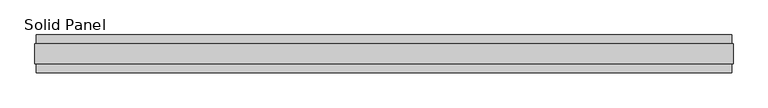
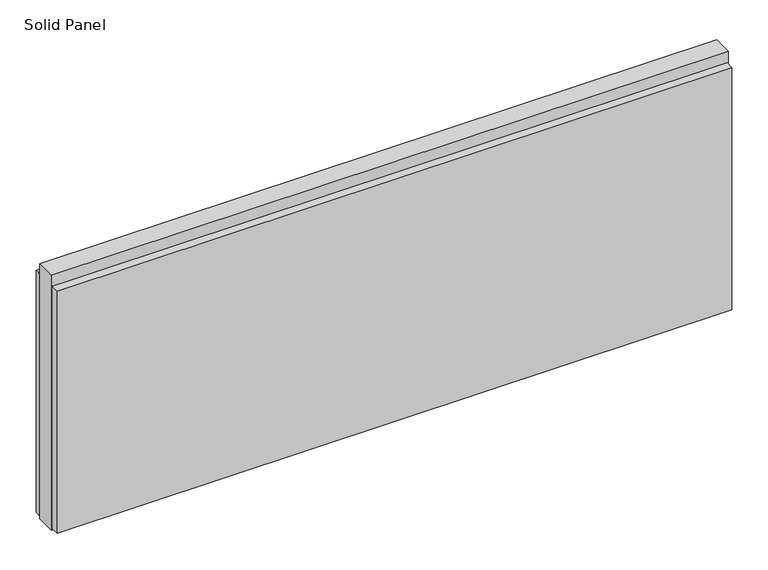
"""IFC4 building model written with IfcOpenShell, lengths in millimetres: plate geometry, Solid Panel."""

from ifc_helpers import new_model, si_unit, frame, origin, origin_with_axes, place, context, project, spatial, polyline, outline, extrude, source, transform, mapped, element, save


def solid_panel_1f00956c(model_context):
    return source(origin(), model_context, "Body", "SweptSolid", [
        extrude(outline(polyline([(892.4061018, -48.4531867), (-892.4061018, -48.4531867), (-892.4061018, -25.9961), (892.4061018, -25.9961), (892.4061018, -48.4531867)])), frame((0.0, 0.0, 3.0099), z_axis=(0.0, 0.0, 1.0), x_axis=(1.0, 0.0, 0.0)), (0.0, 0.0, 1.0), 677.4561),
        extrude(outline(polyline([(892.4061018, 25.9977), (-892.4061018, 25.9977), (-892.4061018, 48.4547867), (892.4061018, 48.4547867), (892.4061018, 25.9977)])), frame((0.0, 0.0, 3.0099), z_axis=(0.0, 0.0, 1.0), x_axis=(1.0, 0.0, 0.0)), (0.0, 0.0, 1.0), 677.4561),
        extrude(outline(polyline([(895.4033018, -25.9961), (-895.4033018, -25.9961), (-895.4033018, 25.9977), (895.4033018, 25.9977), (895.4033018, -25.9961)])), origin_with_axes(), (0.0, 0.0, 1.0), 712.47),
    ])


if __name__ == "__main__":
    model = new_model("IFC4")
    model_context = context("Model", 3, world=origin())
    ifc_project = project(units=[si_unit("LENGTHUNIT", "METRE", prefix="MILLI")], contexts=[model_context])
    site = spatial("IfcSite", under=ifc_project)
    building = spatial("IfcBuilding", under=site)
    placement = place(None, origin())
    solid_panel_shape = solid_panel_1f00956c(model_context)
    element("IfcPlate", 1, ObjectType="Solid Panel", at=placement, inside=building, context=model_context, shape_type="MappedRepresentation", body=[
        mapped(solid_panel_shape, transform((0.0, 0.0, 0.0), x_axis=(1.0, 0.0, 0.0), y_axis=(0.0, 1.0, 0.0), z_axis=(0.0, 0.0, 1.0))),
    ])
    save(model, "model.ifc")
